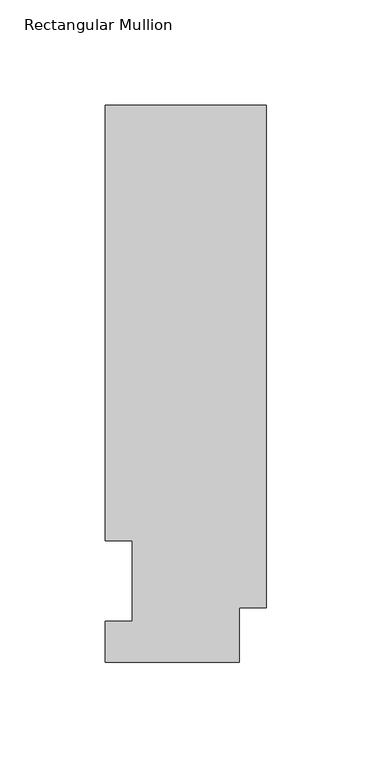
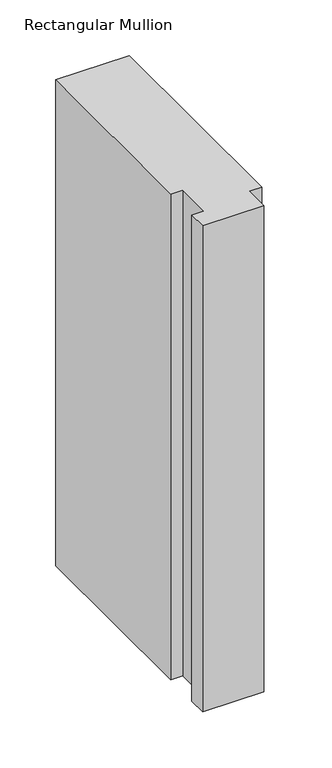
"""IFC4 building model written with IfcOpenShell, lengths in millimetres: member geometry, Rectangular Mullion."""

from ifc_helpers import new_model, si_unit, frame, origin, place, context, project, spatial, polyline, outline, extrude, source, transform, mapped, element, save


def rectangular_mullion_04e5b45e(model_context):
    return source(origin(), model_context, "Body", "SweptSolid", [
        extrude(outline(polyline([(0.0, 25.8960937), (-12.7, 25.8960937), (-12.7, 0.0134938), (-76.2, 0.0134938), (-76.2, 19.5460938), (-63.5127, 19.5460938), (-63.5127, 57.6460937), (-76.2, 57.6460938), (-76.2, 264.0210938), (0.0, 264.0210938), (0.0, 25.8960937)])), frame((0.0, 0.0, -533.4134937), z_axis=(0.0, 0.0, 1.0), x_axis=(1.0, 0.0, 0.0)), (0.0, 0.0, 1.0), 533.4134937),
    ])


if __name__ == "__main__":
    model = new_model("IFC4")
    model_context = context("Model", 3, world=origin())
    ifc_project = project(units=[si_unit("LENGTHUNIT", "METRE", prefix="MILLI")], contexts=[model_context])
    site = spatial("IfcSite", under=ifc_project)
    building = spatial("IfcBuilding", under=site)
    placement = place(None, origin())
    rectangular_mullion_shape = rectangular_mullion_04e5b45e(model_context)
    element("IfcMember", 1, ObjectType="Rectangular Mullion", at=placement, inside=building, context=model_context, shape_type="MappedRepresentation", body=[
        mapped(rectangular_mullion_shape, transform((0.0, 0.0, 0.0), x_axis=(1.0, 0.0, 0.0), y_axis=(0.0, 1.0, 0.0), z_axis=(0.0, 0.0, 1.0))),
    ])
    save(model, "model.ifc")
